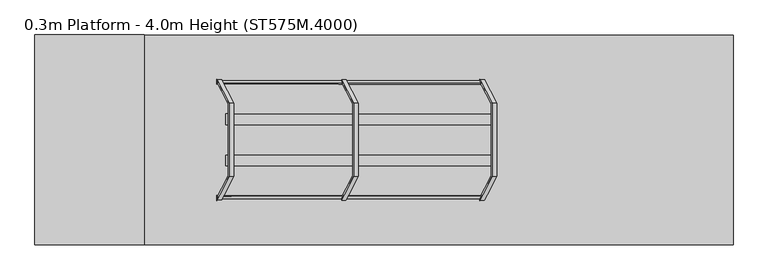
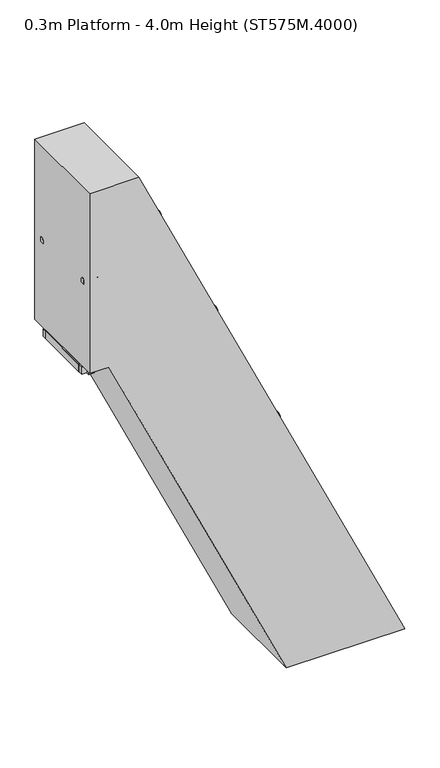
"""IFC4 building model written with IfcOpenShell, lengths in millimetres: proxy geometry, 0.3m Platform - 4.0m Height (ST575M.4000)."""

from ifc_helpers import new_model, si_unit, point, frame, frame_2d, origin, origin_with_axes, place, context, project, spatial, polyline, circle_curve, ellipse_curve, trimmed, segment, composite_curve, outline, extrude, source, transform, mapped, element, save
from ifc_brep_helpers import plane_surface, cylinder_surface, advanced_brep


def proxy_0_3m_platform_4_0m_height_st575m_4000_9bf559f9(model_context):
    return source(origin(), model_context, "Body", "SolidModel", [
        extrude(outline(polyline([(3750.0, 12.5742604), (3670.0, 49.878868), (3670.0, 160.216665), (3750.0, 122.9120524), (3750.0, 12.5742604)])), frame((0.0, 298.5, 0.0), z_axis=(0.0, 1.0, 0.0), x_axis=(0.0, 0.0, 1.0)), (0.0, 0.0, 1.0), 6.0),
        extrude(outline(polyline([(3750.0, 12.5742604), (3670.0, 49.878868), (3670.0, 160.216665), (3750.0, 122.9120524), (3750.0, 12.5742604)])), frame((0.0, -304.5, 0.0), z_axis=(0.0, 1.0, 0.0), x_axis=(0.0, 0.0, 1.0)), (0.0, 0.0, 1.0), 6.0),
        extrude(outline(polyline([(3750.0, 19.7462167), (3712.0999991, 37.4192749), (3712.0999991, 39.6260307), (3747.0, 23.3518952), (3747.0, 122.1042195), (3712.0999991, 138.3783572), (3712.0999991, 140.585113), (3750.0, 122.9120524), (3750.0, 102.4843112), (3749.2749538, 102.1462167), (3750.0, 101.8081221), (3750.0, 81.8843112), (3749.2749538, 81.5462167), (3750.0, 81.2081221), (3750.0, 61.2843112), (3749.2749538, 60.9462167), (3750.0, 60.6081221), (3750.0, 40.6843112), (3749.2749538, 40.3462167), (3750.0, 40.0081221), (3750.0, 19.7462167)])), frame((0.0, -298.5, 0.0), z_axis=(0.0, 1.0, 0.0), x_axis=(0.0, 0.0, 1.0)), (0.0, 0.0, 1.0), 597.0),
        extrude(outline(polyline([(3500.0, 129.1533089), (3420.0, 166.4579165), (3420.0, 276.7957136), (3500.0, 239.4911009), (3500.0, 129.1533089)])), frame((0.0, 298.5, 0.0), z_axis=(0.0, 1.0, 0.0), x_axis=(0.0, 0.0, 1.0)), (0.0, 0.0, 1.0), 6.0),
        extrude(outline(polyline([(3500.0, 129.1533089), (3420.0, 166.4579165), (3420.0, 276.7957136), (3500.0, 239.4911009), (3500.0, 129.1533089)])), frame((0.0, -304.5, 0.0), z_axis=(0.0, 1.0, 0.0), x_axis=(0.0, 0.0, 1.0)), (0.0, 0.0, 1.0), 6.0),
        extrude(outline(polyline([(3500.0, 136.3252652), (3462.0999991, 153.9983235), (3462.0999991, 156.2050793), (3497.0, 139.9309438), (3497.0, 238.6832681), (3462.0999991, 254.9574057), (3462.0999991, 257.1641616), (3500.0, 239.4911009), (3500.0, 219.0633598), (3499.2749538, 218.7252652), (3500.0, 218.3871707), (3500.0, 198.4633598), (3499.2749538, 198.1252652), (3500.0, 197.7871707), (3500.0, 177.8633598), (3499.2749538, 177.5252652), (3500.0, 177.1871707), (3500.0, 157.2633598), (3499.2749538, 156.9252652), (3500.0, 156.5871707), (3500.0, 136.3252652)])), frame((0.0, -298.5, 0.0), z_axis=(0.0, 1.0, 0.0), x_axis=(0.0, 0.0, 1.0)), (0.0, 0.0, 1.0), 597.0),
        extrude(outline(polyline([(3250.0, 245.7323575), (3170.0, 283.0369651), (3170.0, 393.3747622), (3250.0, 356.0701495), (3250.0, 245.7323575)])), frame((0.0, 298.5, 0.0), z_axis=(0.0, 1.0, 0.0), x_axis=(0.0, 0.0, 1.0)), (0.0, 0.0, 1.0), 6.0),
        extrude(outline(polyline([(3250.0, 245.7323575), (3170.0, 283.0369651), (3170.0, 393.3747622), (3250.0, 356.0701495), (3250.0, 245.7323575)])), frame((0.0, -304.5, 0.0), z_axis=(0.0, 1.0, 0.0), x_axis=(0.0, 0.0, 1.0)), (0.0, 0.0, 1.0), 6.0),
        extrude(outline(polyline([(3250.0, 252.9043138), (3212.0999991, 270.577372), (3212.0999991, 272.7841278), (3247.0, 256.5099923), (3247.0, 355.2623166), (3212.0999991, 371.5364543), (3212.0999991, 373.7432101), (3250.0, 356.0701495), (3250.0, 335.6424083), (3249.2749538, 335.3043138), (3250.0, 334.9662192), (3250.0, 315.0424083), (3249.2749538, 314.7043138), (3250.0, 314.3662192), (3250.0, 294.4424083), (3249.2749538, 294.1043138), (3250.0, 293.7662192), (3250.0, 273.8424083), (3249.2749538, 273.5043138), (3250.0, 273.1662192), (3250.0, 252.9043138)])), frame((0.0, -298.5, 0.0), z_axis=(0.0, 1.0, 0.0), x_axis=(0.0, 0.0, 1.0)), (0.0, 0.0, 1.0), 597.0),
        extrude(outline(polyline([(3000.0, 362.311406), (2920.0, 399.6160136), (2920.0, 509.9538107), (3000.0, 472.6491981), (3000.0, 362.311406)])), frame((0.0, 298.5, 0.0), z_axis=(0.0, 1.0, 0.0), x_axis=(0.0, 0.0, 1.0)), (0.0, 0.0, 1.0), 6.0),
        extrude(outline(polyline([(3000.0, 362.311406), (2920.0, 399.6160136), (2920.0, 509.9538107), (3000.0, 472.6491981), (3000.0, 362.311406)])), frame((0.0, -304.5, 0.0), z_axis=(0.0, 1.0, 0.0), x_axis=(0.0, 0.0, 1.0)), (0.0, 0.0, 1.0), 6.0),
        extrude(outline(polyline([(3000.0, 369.4833623), (2962.0999991, 387.1564206), (2962.0999991, 389.3631764), (2997.0, 373.0890409), (2997.0, 471.8413652), (2962.0999991, 488.1155029), (2962.0999991, 490.3222587), (3000.0, 472.6491981), (3000.0, 452.2214569), (2999.2749538, 451.8833623), (3000.0, 451.5452678), (3000.0, 431.6214569), (2999.2749538, 431.2833623), (3000.0, 430.9452678), (3000.0, 411.0214569), (2999.2749538, 410.6833623), (3000.0, 410.3452678), (3000.0, 390.4214569), (2999.2749538, 390.0833623), (3000.0, 389.7452678), (3000.0, 369.4833623)])), frame((0.0, -298.5, 0.0), z_axis=(0.0, 1.0, 0.0), x_axis=(0.0, 0.0, 1.0)), (0.0, 0.0, 1.0), 597.0),
        extrude(outline(polyline([(2750.0, 478.8904546), (2670.0, 516.1950622), (2670.0, 626.5328593), (2750.0, 589.2282466), (2750.0, 478.8904546)])), frame((0.0, 298.5, 0.0), z_axis=(0.0, 1.0, 0.0), x_axis=(0.0, 0.0, 1.0)), (0.0, 0.0, 1.0), 6.0),
        extrude(outline(polyline([(2750.0, 478.8904546), (2670.0, 516.1950622), (2670.0, 626.5328593), (2750.0, 589.2282466), (2750.0, 478.8904546)])), frame((0.0, -304.5, 0.0), z_axis=(0.0, 1.0, 0.0), x_axis=(0.0, 0.0, 1.0)), (0.0, 0.0, 1.0), 6.0),
        extrude(outline(polyline([(2750.0, 486.0624109), (2712.0999991, 503.7354691), (2712.0999991, 505.9422249), (2747.0, 489.6680895), (2747.0, 588.4204137), (2712.0999991, 604.6945514), (2712.0999991, 606.9013072), (2750.0, 589.2282466), (2750.0, 568.8005055), (2749.2749538, 568.4624109), (2750.0, 568.1243163), (2750.0, 548.2005055), (2749.2749538, 547.8624109), (2750.0, 547.5243163), (2750.0, 527.6005055), (2749.2749538, 527.2624109), (2750.0, 526.9243163), (2750.0, 507.0005055), (2749.2749538, 506.6624109), (2750.0, 506.3243163), (2750.0, 486.0624109)])), frame((0.0, -298.5, 0.0), z_axis=(0.0, 1.0, 0.0), x_axis=(0.0, 0.0, 1.0)), (0.0, 0.0, 1.0), 597.0),
        extrude(outline(polyline([(2500.0, 595.4695031), (2420.0, 632.7741107), (2420.0, 743.1119078), (2500.0, 705.8072952), (2500.0, 595.4695031)])), frame((0.0, 298.5, 0.0), z_axis=(0.0, 1.0, 0.0), x_axis=(0.0, 0.0, 1.0)), (0.0, 0.0, 1.0), 6.0),
        extrude(outline(polyline([(2500.0, 595.4695031), (2420.0, 632.7741107), (2420.0, 743.1119078), (2500.0, 705.8072952), (2500.0, 595.4695031)])), frame((0.0, -304.5, 0.0), z_axis=(0.0, 1.0, 0.0), x_axis=(0.0, 0.0, 1.0)), (0.0, 0.0, 1.0), 6.0),
        extrude(outline(polyline([(2500.0, 602.6414594), (2462.0999991, 620.3145177), (2462.0999991, 622.5212735), (2497.0, 606.247138), (2497.0, 704.9994623), (2462.0999991, 721.2736), (2462.0999991, 723.4803558), (2500.0, 705.8072952), (2500.0, 685.379554), (2499.2749538, 685.0414594), (2500.0, 684.7033649), (2500.0, 664.779554), (2499.2749538, 664.4414594), (2500.0, 664.1033649), (2500.0, 644.179554), (2499.2749538, 643.8414594), (2500.0, 643.5033649), (2500.0, 623.579554), (2499.2749538, 623.2414594), (2500.0, 622.9033649), (2500.0, 602.6414594)])), frame((0.0, -298.5, 0.0), z_axis=(0.0, 1.0, 0.0), x_axis=(0.0, 0.0, 1.0)), (0.0, 0.0, 1.0), 597.0),
        extrude(outline(polyline([(2250.0, 712.0485517), (2170.0, 749.3531593), (2170.0, 859.6909564), (2250.0, 822.3863437), (2250.0, 712.0485517)])), frame((0.0, 298.5, 0.0), z_axis=(0.0, 1.0, 0.0), x_axis=(0.0, 0.0, 1.0)), (0.0, 0.0, 1.0), 6.0),
        extrude(outline(polyline([(2250.0, 712.0485517), (2170.0, 749.3531593), (2170.0, 859.6909564), (2250.0, 822.3863437), (2250.0, 712.0485517)])), frame((0.0, -304.5, 0.0), z_axis=(0.0, 1.0, 0.0), x_axis=(0.0, 0.0, 1.0)), (0.0, 0.0, 1.0), 6.0),
        extrude(outline(polyline([(2250.0, 719.220508), (2212.0999991, 736.8935662), (2212.0999991, 739.100322), (2247.0, 722.8261866), (2247.0, 821.5785109), (2212.0999991, 837.8526485), (2212.0999991, 840.0594044), (2250.0, 822.3863437), (2250.0, 801.9586026), (2249.2749538, 801.620508), (2250.0, 801.2824134), (2250.0, 781.3586026), (2249.2749538, 781.020508), (2250.0, 780.6824134), (2250.0, 760.7586026), (2249.2749538, 760.420508), (2250.0, 760.0824134), (2250.0, 740.1586026), (2249.2749538, 739.820508), (2250.0, 739.4824134), (2250.0, 719.220508)])), frame((0.0, -298.5, 0.0), z_axis=(0.0, 1.0, 0.0), x_axis=(0.0, 0.0, 1.0)), (0.0, 0.0, 1.0), 597.0),
        extrude(outline(polyline([(2000.0, 828.6276002), (1920.0, 865.9322078), (1920.0, 976.2700049), (2000.0, 938.9653923), (2000.0, 828.6276002)])), frame((0.0, 298.5, 0.0), z_axis=(0.0, 1.0, 0.0), x_axis=(0.0, 0.0, 1.0)), (0.0, 0.0, 1.0), 6.0),
        extrude(outline(polyline([(2000.0, 828.6276002), (1920.0, 865.9322078), (1920.0, 976.2700049), (2000.0, 938.9653923), (2000.0, 828.6276002)])), frame((0.0, -304.5, 0.0), z_axis=(0.0, 1.0, 0.0), x_axis=(0.0, 0.0, 1.0)), (0.0, 0.0, 1.0), 6.0),
        extrude(outline(polyline([(2000.0, 835.7995565), (1962.0999991, 853.4726148), (1962.0999991, 855.6793706), (1997.0, 839.4052351), (1997.0, 938.1575594), (1962.0999991, 954.4316971), (1962.0999991, 956.6384529), (2000.0, 938.9653923), (2000.0, 918.5376511), (1999.2749538, 918.1995565), (2000.0, 917.861462), (2000.0, 897.9376511), (1999.2749538, 897.5995565), (2000.0, 897.261462), (2000.0, 877.3376511), (1999.2749538, 876.9995565), (2000.0, 876.661462), (2000.0, 856.7376511), (1999.2749538, 856.3995565), (2000.0, 856.061462), (2000.0, 835.7995565)])), frame((0.0, -298.5, 0.0), z_axis=(0.0, 1.0, 0.0), x_axis=(0.0, 0.0, 1.0)), (0.0, 0.0, 1.0), 597.0),
        extrude(outline(polyline([(1750.0, 945.2066488), (1670.0, 982.5112564), (1670.0, 1092.8490535), (1750.0, 1055.5444408), (1750.0, 945.2066488)])), frame((0.0, 298.5, 0.0), z_axis=(0.0, 1.0, 0.0), x_axis=(0.0, 0.0, 1.0)), (0.0, 0.0, 1.0), 6.0),
        extrude(outline(polyline([(1750.0, 945.2066488), (1670.0, 982.5112564), (1670.0, 1092.8490535), (1750.0, 1055.5444408), (1750.0, 945.2066488)])), frame((0.0, -304.5, 0.0), z_axis=(0.0, 1.0, 0.0), x_axis=(0.0, 0.0, 1.0)), (0.0, 0.0, 1.0), 6.0),
        extrude(outline(polyline([(1750.0, 952.3786051), (1712.0999991, 970.0516633), (1712.0999991, 972.2584191), (1747.0, 955.9842837), (1747.0, 1054.736608), (1712.0999991, 1071.0107456), (1712.0999991, 1073.2175015), (1750.0, 1055.5444408), (1750.0, 1035.1166997), (1749.2749538, 1034.7786051), (1750.0, 1034.4405105), (1750.0, 1014.5166997), (1749.2749538, 1014.1786051), (1750.0, 1013.8405105), (1750.0, 993.9166997), (1749.2749538, 993.5786051), (1750.0, 993.2405105), (1750.0, 973.3166997), (1749.2749538, 972.9786051), (1750.0, 972.6405105), (1750.0, 952.3786051)])), frame((0.0, -298.5, 0.0), z_axis=(0.0, 1.0, 0.0), x_axis=(0.0, 0.0, 1.0)), (0.0, 0.0, 1.0), 597.0),
        extrude(outline(polyline([(1500.0, 1061.7856974), (1420.0, 1099.090305), (1420.0, 1209.428102), (1500.0, 1172.1234894), (1500.0, 1061.7856974)])), frame((0.0, 298.5, 0.0), z_axis=(0.0, 1.0, 0.0), x_axis=(0.0, 0.0, 1.0)), (0.0, 0.0, 1.0), 6.0),
        extrude(outline(polyline([(1500.0, 1061.7856974), (1420.0, 1099.090305), (1420.0, 1209.428102), (1500.0, 1172.1234894), (1500.0, 1061.7856974)])), frame((0.0, -304.5, 0.0), z_axis=(0.0, 1.0, 0.0), x_axis=(0.0, 0.0, 1.0)), (0.0, 0.0, 1.0), 6.0),
        extrude(outline(polyline([(1500.0, 1068.9576537), (1462.0999991, 1086.6307119), (1462.0999991, 1088.8374677), (1497.0, 1072.5633322), (1497.0, 1171.3156565), (1462.0999991, 1187.5897942), (1462.0999991, 1189.79655), (1500.0, 1172.1234894), (1500.0, 1151.6957482), (1499.2749538, 1151.3576537), (1500.0, 1151.0195591), (1500.0, 1131.0957482), (1499.2749538, 1130.7576537), (1500.0, 1130.4195591), (1500.0, 1110.4957482), (1499.2749538, 1110.1576537), (1500.0, 1109.8195591), (1500.0, 1089.8957482), (1499.2749538, 1089.5576537), (1500.0, 1089.2195591), (1500.0, 1068.9576537)])), frame((0.0, -298.5, 0.0), z_axis=(0.0, 1.0, 0.0), x_axis=(0.0, 0.0, 1.0)), (0.0, 0.0, 1.0), 597.0),
        extrude(outline(polyline([(1250.0, 1178.3647459), (1170.0, 1215.6693535), (1170.0, 1326.0071506), (1250.0, 1288.7025379), (1250.0, 1178.3647459)])), frame((0.0, 298.5, 0.0), z_axis=(0.0, 1.0, 0.0), x_axis=(0.0, 0.0, 1.0)), (0.0, 0.0, 1.0), 6.0),
        extrude(outline(polyline([(1250.0, 1178.3647459), (1170.0, 1215.6693535), (1170.0, 1326.0071506), (1250.0, 1288.7025379), (1250.0, 1178.3647459)])), frame((0.0, -304.5, 0.0), z_axis=(0.0, 1.0, 0.0), x_axis=(0.0, 0.0, 1.0)), (0.0, 0.0, 1.0), 6.0),
        extrude(outline(polyline([(1250.0, 1185.5367022), (1212.0999991, 1203.2097605), (1212.0999991, 1205.4165162), (1247.0, 1189.1423808), (1247.0, 1287.8947051), (1212.0999991, 1304.1688427), (1212.0999991, 1306.3755986), (1250.0, 1288.7025379), (1250.0, 1268.2747968), (1249.2749538, 1267.9367022), (1250.0, 1267.5986076), (1250.0, 1247.6747968), (1249.2749538, 1247.3367022), (1250.0, 1246.9986076), (1250.0, 1227.0747968), (1249.2749538, 1226.7367022), (1250.0, 1226.3986076), (1250.0, 1206.4747968), (1249.2749538, 1206.1367022), (1250.0, 1205.7986076), (1250.0, 1185.5367022)])), frame((0.0, -298.5, 0.0), z_axis=(0.0, 1.0, 0.0), x_axis=(0.0, 0.0, 1.0)), (0.0, 0.0, 1.0), 597.0),
        extrude(outline(polyline([(1000.0, 1294.9437945), (920.0, 1332.2484021), (920.0, 1442.5861991), (1000.0, 1405.2815865), (1000.0, 1294.9437945)])), frame((0.0, 298.5, 0.0), z_axis=(0.0, 1.0, 0.0), x_axis=(0.0, 0.0, 1.0)), (0.0, 0.0, 1.0), 6.0),
        extrude(outline(polyline([(1000.0, 1294.9437945), (920.0, 1332.2484021), (920.0, 1442.5861991), (1000.0, 1405.2815865), (1000.0, 1294.9437945)])), frame((0.0, -304.5, 0.0), z_axis=(0.0, 1.0, 0.0), x_axis=(0.0, 0.0, 1.0)), (0.0, 0.0, 1.0), 6.0),
        extrude(outline(polyline([(1000.0, 1302.1157508), (962.0999991, 1319.788809), (962.0999991, 1321.9955648), (997.0, 1305.7214293), (997.0, 1404.4737536), (962.0999991, 1420.7478913), (962.0999991, 1422.9546471), (1000.0, 1405.2815865), (1000.0, 1384.8538453), (999.2749538, 1384.5157508), (1000.0, 1384.1776562), (1000.0, 1364.2538453), (999.2749538, 1363.9157508), (1000.0, 1363.5776562), (1000.0, 1343.6538453), (999.2749538, 1343.3157508), (1000.0, 1342.9776562), (1000.0, 1323.0538453), (999.2749538, 1322.7157508), (1000.0, 1322.3776562), (1000.0, 1302.1157508)])), frame((0.0, -298.5, 0.0), z_axis=(0.0, 1.0, 0.0), x_axis=(0.0, 0.0, 1.0)), (0.0, 0.0, 1.0), 597.0),
        extrude(outline(polyline([(750.0, 1411.522843), (670.0, 1448.8274506), (670.0, 1559.1652477), (750.0, 1521.860635), (750.0, 1411.522843)])), frame((0.0, 298.5, 0.0), z_axis=(0.0, 1.0, 0.0), x_axis=(0.0, 0.0, 1.0)), (0.0, 0.0, 1.0), 6.0),
        extrude(outline(polyline([(750.0, 1411.522843), (670.0, 1448.8274506), (670.0, 1559.1652477), (750.0, 1521.860635), (750.0, 1411.522843)])), frame((0.0, -304.5, 0.0), z_axis=(0.0, 1.0, 0.0), x_axis=(0.0, 0.0, 1.0)), (0.0, 0.0, 1.0), 6.0),
        extrude(outline(polyline([(750.0, 1418.6947993), (712.0999991, 1436.3678576), (712.0999991, 1438.5746133), (747.0, 1422.3004779), (747.0, 1521.0528022), (712.0999991, 1537.3269398), (712.0999991, 1539.5336957), (750.0, 1521.860635), (750.0, 1501.4328939), (749.2749538, 1501.0947993), (750.0, 1500.7567047), (750.0, 1480.8328939), (749.2749538, 1480.4947993), (750.0, 1480.1567047), (750.0, 1460.2328939), (749.2749538, 1459.8947993), (750.0, 1459.5567047), (750.0, 1439.6328939), (749.2749538, 1439.2947993), (750.0, 1438.9567047), (750.0, 1418.6947993)])), frame((0.0, -298.5, 0.0), z_axis=(0.0, 1.0, 0.0), x_axis=(0.0, 0.0, 1.0)), (0.0, 0.0, 1.0), 597.0),
        extrude(outline(polyline([(500.0, 1528.1018916), (420.0, 1565.4064992), (420.0, 1675.7442962), (500.0, 1638.4396836), (500.0, 1528.1018916)])), frame((0.0, 298.5, 0.0), z_axis=(0.0, 1.0, 0.0), x_axis=(0.0, 0.0, 1.0)), (0.0, 0.0, 1.0), 6.0),
        extrude(outline(polyline([(500.0, 1528.1018916), (420.0, 1565.4064992), (420.0, 1675.7442962), (500.0, 1638.4396836), (500.0, 1528.1018916)])), frame((0.0, -304.5, 0.0), z_axis=(0.0, 1.0, 0.0), x_axis=(0.0, 0.0, 1.0)), (0.0, 0.0, 1.0), 6.0),
        extrude(outline(polyline([(500.0, 1535.2738479), (462.0999991, 1552.9469061), (462.0999991, 1555.1536619), (497.0, 1538.8795264), (497.0, 1637.6318507), (462.0999991, 1653.9059884), (462.0999991, 1656.1127442), (500.0, 1638.4396836), (500.0, 1618.0119424), (499.2749538, 1617.6738479), (500.0, 1617.3357533), (500.0, 1597.4119424), (499.2749538, 1597.0738479), (500.0, 1596.7357533), (500.0, 1576.8119424), (499.2749538, 1576.4738479), (500.0, 1576.1357533), (500.0, 1556.2119424), (499.2749538, 1555.8738479), (500.0, 1555.5357533), (500.0, 1535.2738479)])), frame((0.0, -298.5, 0.0), z_axis=(0.0, 1.0, 0.0), x_axis=(0.0, 0.0, 1.0)), (0.0, 0.0, 1.0), 597.0),
        extrude(outline(polyline([(0.0, -6.0), (0.0, 0.0), (50.0, 0.0), (50.0, -6.0), (0.0, -6.0)])), frame((835.2019478, 296.0, 1938.5825879), z_axis=(-6.583104964374975e-06, 0.0, 0.9999999999783316), x_axis=(0.0, -1.0, 0.0)), (0.0, 0.0, 1.0), 120.0),
        extrude(outline(polyline([(2000.5832794, 940.2473839), (2058.5831013, 913.2011579), (2058.5825879, 835.2011579), (2000.5825879, 835.2015397), (2000.5832794, 940.2473839)])), frame((0.0, 252.0, 0.0), z_axis=(0.0, 1.0, 0.0), x_axis=(0.0, 0.0, 1.0)), (0.0, 0.0, 1.0), 38.0),
        extrude(outline(polyline([(0.0, -6.0), (0.0, 0.0), (50.0, 0.0), (50.0, -6.0), (0.0, -6.0)])), frame((829.2019478, -296.0, 1938.5825484), z_axis=(-6.583104961932484e-06, 0.0, 0.9999999999783314), x_axis=(0.0, 1.0, 0.0)), (0.0, 0.0, 1.0), 120.0),
        extrude(outline(polyline([(2000.5832794, 940.2473839), (2058.5831013, 913.2011579), (2058.5825879, 835.2011579), (2000.5825879, 835.2015397), (2000.5832794, 940.2473839)])), frame((0.0, -290.0, 0.0), z_axis=(0.0, 1.0, 0.0), x_axis=(0.0, 0.0, 1.0)), (0.0, 0.0, 1.0), 38.0),
        extrude(outline(polyline([(0.0, -590.0), (0.0, 0.0), (2.0, 0.0), (2.0, -590.0), (0.0, -590.0)])), frame((1894.0185078, -295.0, 49.8963846), z_axis=(-0.42262422805082667, 0.0, 0.906305004876638), x_axis=(-0.906305004876638, 0.0, -0.42262422805082667)), (0.0, 0.0, 1.0), 2240.0),
        extrude(outline(polyline([(2250.0, 0.0), (2250.0, -600.0), (0.0, -600.0), (0.0, 0.0), (2250.0, 0.0)]), holes=[polyline([(1096.0, -58.0), (58.0, -58.0), (58.0, -542.0), (1096.0, -542.0), (1096.0, -58.0)]), polyline([(1154.0, -542.0), (2192.0, -542.0), (2192.0, -58.0), (1154.0, -58.0), (1154.0, -542.0)])]), frame((908.9749156, 300.0, 2067.6461514), z_axis=(0.906305004876638, 0.0, 0.42262422805082667), x_axis=(0.42262422805082667, 0.0, -0.906305004876638)), (0.0, 0.0, 1.0), 38.0),
        extrude(outline(polyline([(0.0, 0.0), (80.0, 0.0), (80.0, -6.0), (6.0, -6.0), (6.0, -50.0), (0.0, -50.0), (0.0, 0.0)])), frame((1792.2595522, 343.0, 173.4686912), z_axis=(-0.42262422805082667, 0.0, 0.906305004876638), x_axis=(-0.906305004876638, 0.0, -0.42262422805082667)), (0.0, 0.0, 1.0), 50.0),
        extrude(outline(polyline([(0.0, 686.0), (0.0, 736.0), (6.0, 736.0), (6.0, 692.0), (80.0, 692.0), (80.0, 686.0), (0.0, 686.0)])), frame((1792.2595522, 343.0, 173.4686912), z_axis=(-0.42262422805082667, 0.0, 0.906305004876638), x_axis=(-0.906305004876638, 0.0, -0.42262422805082667)), (0.0, 0.0, 1.0), 50.0),
        extrude(outline(polyline([(-100.0, 0.0), (0.0, 0.0), (0.0, -50.0), (-6.0, -50.0), (-6.0, -6.0000001), (-100.0, -6.0000001), (-100.0, 0.0)])), frame((1792.2595522, -300.0, 173.4686912), z_axis=(-0.42262422805082667, 0.0, 0.906305004876638), x_axis=(0.0, 1.0, 0.0)), (0.0, 0.0, 1.0), 50.0),
        extrude(outline(polyline([(700.0, 0.0), (700.0, -6.0000001), (606.0, -6.0000001), (606.0, -50.0), (600.0, -50.0), (600.0, 0.0), (700.0, 0.0)])), frame((1792.2595522, -300.0, 173.4686912), z_axis=(-0.42262422805082667, 0.0, 0.906305004876638), x_axis=(0.0, 1.0, 0.0)), (0.0, 0.0, 1.0), 50.0),
        extrude(outline(polyline([(1117.9768328, 1395.955855), (1132.3718132, 1442.2055527), (1038.1160927, 1486.1584724), (1011.9391472, 1445.4028897), (989.2815221, 1455.9684954), (993.5077644, 1465.0315454), (1008.0086445, 1458.2695578), (1034.18559, 1499.0251405), (1144.7548006, 1447.4649847), (1130.3598201, 1401.215287), (1144.8607002, 1394.4532994), (1140.6344579, 1385.3902493), (1117.9768328, 1395.955855)])), frame((0.0, 201.0, 0.0), z_axis=(0.0, 1.0, 0.0), x_axis=(0.0, 0.0, 1.0)), (0.0, 0.0, 1.0), 44.0),
        extrude(outline(polyline([(1117.9768328, 1395.955855), (1132.3718132, 1442.2055527), (1038.1160927, 1486.1584724), (1011.9391472, 1445.4028897), (989.2815221, 1455.9684954), (993.5077644, 1465.0315454), (1008.0086445, 1458.2695578), (1034.18559, 1499.0251405), (1144.7548006, 1447.4649847), (1130.3598201, 1401.215287), (1144.8607002, 1394.4532994), (1140.6344579, 1385.3902493), (1117.9768328, 1395.955855)])), frame((0.0, -245.0, 0.0), z_axis=(0.0, 1.0, 0.0), x_axis=(0.0, 0.0, 1.0)), (0.0, 0.0, 1.0), 44.0),
        extrude(outline(polyline([(-573.915974, 0.0), (0.0, 0.0), (168.0, -100.0), (268.0, -275.0), (268.0, -621.0), (168.0, -796.0), (0.0, -896.0), (-573.915974, -896.0), (-626.9765801, -845.0), (-710.8030303, -845.0), (-710.8030303, -839.0), (-624.560606, -839.0), (-571.5, -890.0), (-1.5933867, -890.0), (163.6024049, -791.6024049), (262.0, -619.4066134), (262.0, -276.5933866), (163.6024049, -104.3975951), (-1.5933867, -6.0), (-571.5, -6.0), (-624.560606, -57.0), (-710.8030303, -57.0), (-710.8030303, -51.0), (-626.9765801, -51.0), (-573.915974, 0.0)])), frame((304.120262, 448.0, 5128.9323502), z_axis=(-0.42262422805082667, 0.0, 0.906305004876638), x_axis=(0.906305004876638, 0.0, 0.42262422805082667)), (0.0, 0.0, 1.0), 50.0),
        extrude(outline(polyline([(-6.0, 0.0), (0.0, 0.0), (0.0, -77.5840259), (99.0, -180.5840259), (99.0, -827.0), (-1.0, -994.9999999), (-176.0, -1095.0), (-522.0, -1095.0), (-697.0, -994.9999999), (-797.0, -827.0), (-797.0, -180.5840259), (-698.0, -77.5840259), (-698.0, 0.0), (-692.0, 0.0), (-692.0, -80.0), (-791.0, -183.0), (-791.0, -825.4066133), (-692.6024049, -990.6024049), (-520.4066134, -1089.0), (-177.5933866, -1089.0), (-5.3975951, -990.6024049), (93.0, -825.4066133), (93.0, -183.0), (-6.0, -80.0), (-6.0, 0.0)])), frame((804.0599175, 349.0, 2100.005642), z_axis=(-0.42262422805082667, 0.0, 0.906305004876638), x_axis=(0.0, 1.0, 0.0)), (0.0, 0.0, 1.0), 50.0),
        extrude(outline(polyline([(0.0, 0.0), (50.0, 0.0), (50.0, -12.0), (0.0, -12.0), (0.0, 0.0)])), frame((1220.0539147, 430.0, 2293.9901627), z_axis=(-0.42262422805082667, 0.0, 0.906305004876638), x_axis=(-0.906305004876638, 0.0, -0.42262422805082667)), (0.0, 0.0, 1.0), 3006.418046),
        extrude(outline(polyline([(-210.0, 0.0), (-160.0, 0.0), (-160.0, -12.0), (-210.0, -12.0), (-210.0, 0.0)])), frame((1220.0539147, 430.0, 2293.9901627), z_axis=(-0.42262422805082667, 0.0, 0.906305004876638), x_axis=(-0.906305004876638, 0.0, -0.42262422805082667)), (0.0, 0.0, 1.0), 3006.418046),
        extrude(outline(polyline([(-630.0, 357.5), (-618.0, 357.5), (-618.0, 307.5), (-630.0, 307.5), (-630.0, 357.5)])), frame((1220.0539147, 430.0, 2293.9901627), z_axis=(-0.42262422805082667, 0.0, 0.906305004876638), x_axis=(-0.906305004876638, 0.0, -0.42262422805082667)), (0.0, 0.0, 1.0), 3006.418046),
        extrude(outline(polyline([(-630.0, 552.5), (-618.0, 552.5), (-618.0, 502.5), (-630.0, 502.5), (-630.0, 552.5)])), frame((1220.0539147, 430.0, 2293.9901627), z_axis=(-0.42262422805082667, 0.0, 0.906305004876638), x_axis=(-0.906305004876638, 0.0, -0.42262422805082667)), (0.0, 0.0, 1.0), 3006.418046),
        extrude(outline(polyline([(-210.0, 872.0), (-160.0, 872.0), (-160.0, 860.0), (-210.0, 860.0), (-210.0, 872.0)])), frame((1220.0539147, 430.0, 2293.9901627), z_axis=(-0.42262422805082667, 0.0, 0.906305004876638), x_axis=(-0.906305004876638, 0.0, -0.42262422805082667)), (0.0, 0.0, 1.0), 3006.418046),
        extrude(outline(polyline([(0.0, 872.0), (50.0, 872.0), (50.0, 860.0), (0.0, 860.0), (0.0, 872.0)])), frame((1220.0539147, 430.0, 2293.9901627), z_axis=(-0.42262422805082667, 0.0, 0.906305004876638), x_axis=(-0.906305004876638, 0.0, -0.42262422805082667)), (0.0, 0.0, 1.0), 3006.418046),
        extrude(outline(polyline([(-416.1782521, 29.5287957), (-373.2212406, 3.9417841), (-379.3621234, -6.3678986), (-422.3191349, 19.2191129), (-416.1782521, 29.5287957)])), frame((1220.0539147, 430.0, 2293.9901627), z_axis=(-0.42262422805082667, 0.0, 0.906305004876638), x_axis=(-0.906305004876638, 0.0, -0.42262422805082667)), (0.0, 0.0, 1.0), 3006.418046),
        extrude(outline(polyline([(-578.1954412, 161.8104088), (-567.7765236, 167.7640761), (-542.9695766, 124.351919), (-553.3884944, 118.3982517), (-578.1954412, 161.8104088)])), frame((1220.0539147, 430.0, 2293.9901627), z_axis=(-0.42262422805082667, 0.0, 0.906305004876638), x_axis=(-0.906305004876638, 0.0, -0.42262422805082667)), (0.0, 0.0, 1.0), 3006.418046),
        extrude(outline(polyline([(-416.1782521, 830.4712043), (-422.3191349, 840.7808871), (-379.3621234, 866.3678986), (-373.2212406, 856.0582159), (-416.1782521, 830.4712043)])), frame((1220.0539147, 430.0, 2293.9901627), z_axis=(-0.42262422805082667, 0.0, 0.906305004876638), x_axis=(-0.906305004876638, 0.0, -0.42262422805082667)), (0.0, 0.0, 1.0), 3006.418046),
        extrude(outline(polyline([(-578.1954412, 698.1895912), (-553.3884944, 741.6017483), (-542.9695766, 735.648081), (-567.7765236, 692.2359239), (-578.1954412, 698.1895912)])), frame((1220.0539147, 430.0, 2293.9901627), z_axis=(-0.42262422805082667, 0.0, 0.906305004876638), x_axis=(-0.906305004876638, 0.0, -0.42262422805082667)), (0.0, 0.0, 1.0), 3006.418046),
        extrude(outline(polyline([(-6.0, 0.0), (0.0, 0.0), (0.0, -77.5840259), (99.0, -180.5840259), (99.0, -827.0), (-1.0, -994.9999999), (-176.0, -1095.0), (-522.0, -1095.0), (-697.0, -994.9999999), (-797.0, -827.0), (-797.0, -180.5840259), (-698.0, -77.5840259), (-698.0, 0.0), (-692.0, 0.0), (-692.0, -79.9999999), (-791.0, -182.9999999), (-791.0, -825.4066133), (-692.6024049, -990.6024048), (-520.4066134, -1089.0), (-177.5933866, -1089.0), (-5.3975951, -990.6024048), (93.0, -825.4066133), (93.0, -182.9999999), (-6.0, -79.9999999), (-6.0, 0.0)])), frame((146.2799423, 349.0, 3510.5951068), z_axis=(-0.42262422805082667, 0.0, 0.906305004876638), x_axis=(0.0, 1.0, 0.0)), (0.0, 0.0, 1.0), 50.0),
        extrude(outline(polyline([(-0.0541093, 0.0), (0.7582532, 5.9447512), (185.4590013, 5.9447512), (254.8144324, -3.5328109), (254.0020699, -9.4775622), (184.6466388, 0.0), (-0.0541093, 0.0)])), frame((1562.6710983, 375.0, 1079.9819605), z_axis=(-0.42262422805082667, 0.0, 0.906305004876638), x_axis=(-0.8979596324289302, -0.13539374535780632, -0.41873265008366184)), (0.0, 0.0, 1.0), 80.0),
        extrude(outline(polyline([(-0.0541093, 0.0), (0.7582532, 5.9447512), (185.4590013, 5.9447512), (254.8144324, -3.5328109), (254.0020699, -9.4775622), (184.6466388, 0.0), (-0.0541093, 0.0)])), frame((915.7436285, 375.0, 2467.2985523), z_axis=(-0.42262422805082667, 0.0, 0.906305004876638), x_axis=(-0.8979596324289302, -0.13539374535780632, -0.41873265008366184)), (0.0, 0.0, 1.0), 80.0),
        extrude(outline(polyline([(-0.0541092, 0.0), (0.7582532, 5.9447512), (185.4590013, 5.9447512), (254.8144324, -3.5328109), (254.0020699, -9.4775622), (184.6466388, 0.0), (-0.0541092, 0.0)])), frame((268.8161587, 375.0, 3854.6151441), z_axis=(-0.42262422805082667, 0.0, 0.906305004876638), x_axis=(-0.8979596324289302, -0.13539374535780632, -0.41873265008366184)), (0.0, 0.0, 1.0), 80.0),
        extrude(outline(polyline([(0.0, 32.0), (3.0, 32.0), (3.0, 0.0), (0.0, 0.0), (0.0, 32.0)])), frame((931.1898583, 388.0, 2441.3999321), z_axis=(-0.42262422805082667, 0.0, 0.906305004876638), x_axis=(-0.906305004876638, 0.0, -0.42262422805082667)), (0.0, 0.0, 1.0), 140.0),
        extrude(outline(polyline([(0.0, 32.0), (3.0, 32.0), (3.0, 0.0), (0.0, 0.0), (0.0, 32.0)])), frame((1578.1173281, 388.0, 1054.0833403), z_axis=(-0.42262422805082667, 0.0, 0.906305004876638), x_axis=(-0.906305004876638, 0.0, -0.42262422805082667)), (0.0, 0.0, 1.0), 140.0),
        extrude(outline(polyline([(0.0, 32.0), (3.0, 32.0), (3.0, 0.0), (0.0, 0.0), (0.0, 32.0)])), frame((284.2623885, 388.0, 3828.716524), z_axis=(-0.42262422805082667, 0.0, 0.906305004876638), x_axis=(-0.906305004876638, 0.0, -0.42262422805082667)), (0.0, 0.0, 1.0), 140.0),
        extrude(outline(composite_curve([segment(trimmed(circle_curve(frame_2d((0.0, 14.189404)), 22.4521533), [point((-17.4, 0.0))], [point((17.4, 0.0))], False, "CARTESIAN"), True, "CONTINUOUS"), segment(polyline([(17.4, 0.0), (-17.4, 0.0)]), True, "CONTINUOUS")], self_intersect=False)), frame((1649.9634469, 372.0, 900.0114895), z_axis=(-0.42262422805082667, 0.0, 0.906305004876638), x_axis=(0.0, -1.0, 0.0)), (0.0, 0.0, 1.0), 4391.4783861),
        extrude(outline(polyline([(-0.0541092, 0.0), (184.6466389, 0.0), (254.0020699, 9.4775622), (254.8144324, 3.5328109), (185.4590014, -5.9447512), (0.7582532, -5.9447512), (-0.0541092, 0.0)])), frame((1562.6708235, -375.0, 1079.9825501), z_axis=(-0.42262422805082667, 0.0, 0.906305004876638), x_axis=(-0.8979596324289302, 0.13539374535780632, -0.41873265008366184)), (0.0, 0.0, 1.0), 80.0),
        extrude(outline(polyline([(-0.0541092, 0.0), (184.6466389, 0.0), (254.0020699, 9.4775622), (254.8144324, 3.5328109), (185.4590014, -5.9447512), (0.7582532, -5.9447512), (-0.0541092, 0.0)])), frame((915.7433537, -375.0, 2467.2991419), z_axis=(-0.42262422805082667, 0.0, 0.906305004876638), x_axis=(-0.8979596324289302, 0.13539374535780632, -0.41873265008366184)), (0.0, 0.0, 1.0), 80.0),
        extrude(outline(polyline([(-0.0541092, 0.0), (184.6466389, 0.0), (254.0020699, 9.4775622), (254.8144324, 3.5328109), (185.4590014, -5.9447512), (0.7582532, -5.9447512), (-0.0541092, 0.0)])), frame((268.8158839, -375.0, 3854.6157337), z_axis=(-0.42262422805082667, 0.0, 0.906305004876638), x_axis=(-0.8979596324289302, 0.13539374535780632, -0.41873265008366184)), (0.0, 0.0, 1.0), 80.0),
        extrude(outline(polyline([(0.0, -32.0), (0.0, 0.0), (3.0, 0.0), (3.0, -32.0), (0.0, -32.0)])), frame((931.1895835, -388.0, 2441.4005217), z_axis=(-0.42262422805082667, 0.0, 0.906305004876638), x_axis=(-0.906305004876638, 0.0, -0.42262422805082667)), (0.0, 0.0, 1.0), 140.0),
        extrude(outline(polyline([(0.0, -32.0), (0.0, 0.0), (3.0, 0.0), (3.0, -32.0), (0.0, -32.0)])), frame((1578.1170533, -388.0, 1054.0839299), z_axis=(-0.42262422805082667, 0.0, 0.906305004876638), x_axis=(-0.906305004876638, 0.0, -0.42262422805082667)), (0.0, 0.0, 1.0), 140.0),
        extrude(outline(polyline([(0.0, -32.0), (0.0, 0.0), (3.0, 0.0), (3.0, -32.0), (0.0, -32.0)])), frame((284.2621137, -388.0, 3828.7171135), z_axis=(-0.42262422805082667, 0.0, 0.906305004876638), x_axis=(-0.906305004876638, 0.0, -0.42262422805082667)), (0.0, 0.0, 1.0), 140.0),
        extrude(outline(composite_curve([segment(polyline([(-17.4, 0.0), (17.4, 0.0)]), True, "CONTINUOUS"), segment(trimmed(circle_curve(frame_2d((0.0, -14.1894039)), 22.4521533), [point((17.4, 0.0))], [point((-17.4, 0.0))], False, "CARTESIAN"), True, "CONTINUOUS")], self_intersect=False)), frame((1649.9631721, -372.0, 900.0120791), z_axis=(-0.42262422805082667, 0.0, 0.906305004876638), x_axis=(0.0, 1.0, 0.0)), (0.0, 0.0, 1.0), 4391.4783861),
        extrude(outline(polyline([(4000.0, -104.0047882), (3920.0, -66.7001806), (3920.0, 43.6376165), (4000.0, 6.3330038), (4000.0, -104.0047882)])), frame((0.0, 298.5, 0.0), z_axis=(0.0, 1.0, 0.0), x_axis=(0.0, 0.0, 1.0)), (0.0, 0.0, 1.0), 6.0),
        extrude(outline(polyline([(4000.0, -104.0047882), (3920.0, -66.7001806), (3920.0, 43.6376165), (4000.0, 6.3330038), (4000.0, -104.0047882)])), frame((0.0, -304.5, 0.0), z_axis=(0.0, 1.0, 0.0), x_axis=(0.0, 0.0, 1.0)), (0.0, 0.0, 1.0), 6.0),
        extrude(outline(polyline([(4000.0, -96.8328319), (3962.0999991, -79.1597736), (3962.0999991, -76.9530179), (3997.0, -93.2271533), (3997.0, 5.525171), (3962.0999991, 21.7993086), (3962.0999991, 24.0060645), (4000.0, 6.3330038), (4000.0, -14.0947373), (3999.2749538, -14.4328319), (4000.0, -14.7709265), (4000.0, -34.6947373), (3999.2749538, -35.0328319), (4000.0, -35.3709265), (4000.0, -55.2947373), (3999.2749538, -55.6328319), (4000.0, -55.9709265), (4000.0, -75.8947373), (3999.2749538, -76.2328319), (4000.0, -76.5709265), (4000.0, -96.8328319)])), frame((0.0, -298.5, 0.0), z_axis=(0.0, 1.0, 0.0), x_axis=(0.0, 0.0, 1.0)), (0.0, 0.0, 1.0), 597.0),
        extrude(outline(polyline([(250.0, 1644.6809401), (170.0, 1681.9855477), (170.0, 1792.3233448), (250.0, 1755.0187321), (250.0, 1644.6809401)])), frame((0.0, 298.5, 0.0), z_axis=(0.0, 1.0, 0.0), x_axis=(0.0, 0.0, 1.0)), (0.0, 0.0, 1.0), 6.0),
        extrude(outline(polyline([(250.0, 1644.6809401), (170.0, 1681.9855477), (170.0, 1792.3233448), (250.0, 1755.0187321), (250.0, 1644.6809401)])), frame((0.0, -304.5, 0.0), z_axis=(0.0, 1.0, 0.0), x_axis=(0.0, 0.0, 1.0)), (0.0, 0.0, 1.0), 6.0),
        extrude(outline(polyline([(250.0, 1651.8528964), (212.0999991, 1669.5259547), (212.0999991, 1671.7327105), (247.0, 1655.458575), (247.0, 1754.2108993), (212.0999991, 1770.4850369), (212.0999991, 1772.6917928), (250.0, 1755.0187321), (250.0, 1734.590991), (249.2749538, 1734.2528964), (250.0, 1733.9148019), (250.0, 1713.990991), (249.2749538, 1713.6528964), (250.0, 1713.3148019), (250.0, 1693.390991), (249.2749538, 1693.0528964), (250.0, 1692.7148019), (250.0, 1672.790991), (249.2749538, 1672.4528964), (250.0, 1672.1148019), (250.0, 1651.8528964)])), frame((0.0, -298.5, 0.0), z_axis=(0.0, 1.0, 0.0), x_axis=(0.0, 0.0, 1.0)), (0.0, 0.0, 1.0), 597.0),
        extrude(outline(polyline([(-108.8328319, -304.5), (-146.8328319, -304.5), (-146.8328319, 304.5), (-108.8328319, 304.5), (-108.8328319, -304.5)])), frame((0.0, 0.0, 3923.0), z_axis=(0.0, 0.0, 1.0), x_axis=(1.0, 0.0, 0.0)), (0.0, 0.0, 1.0), 58.0),
        advanced_brep(
        [(-256.8328319, 372.0, 4942.0), (-256.8328319, 372.0, 4987.0), (-244.1016939, 372.0, 4942.0), (-215.4337404, 372.0, 4987.0), (-213.5569732, 372.0, 4876.4977609), (-172.773248, 372.0, 4895.5158512)],
        [
            (0, 1, circle_curve(frame((-256.8328319, 372.0, 4964.5), z_axis=(-1.0, 0.0, 0.0), x_axis=(0.0, 0.0, 1.0)), 22.5)),
            (1, 0, circle_curve(frame((-256.8328319, 372.0, 4964.5), z_axis=(-1.0, 0.0, 0.0), x_axis=(0.0, 0.0, 1.0)), 22.5)),
            (0, 2),
            (2, 3, ellipse_curve(frame((-229.7677171, 372.0, 4964.5), z_axis=(-0.843393214358301, 0.0, 0.5372968322765109), x_axis=(-0.5372968322765107, 0.0, -0.8433932143583011)), 26.6779476, 22.5)),
            (3, 1),
            (3, 2, ellipse_curve(frame((-229.7677171, 372.0, 4964.5), z_axis=(-0.843393214358301, 0.0, 0.5372968322765109), x_axis=(-0.5372968322765107, 0.0, -0.8433932143583011)), 26.6779476, 22.5)),
            (4, 5, circle_curve(frame((-193.1651106, 372.0, 4886.0068061), z_axis=(0.4226242280512539, 0.0, -0.9063050048764388), x_axis=(0.9063050048764388, 0.0, 0.4226242280512539)), 22.5)),
            (5, 4, circle_curve(frame((-193.1651106, 372.0, 4886.0068061), z_axis=(0.4226242280512539, 0.0, -0.9063050048764388), x_axis=(0.9063050048764388, 0.0, 0.4226242280512539)), 22.5)),
            (2, 4),
            (5, 3),
        ],
        [
            plane_surface(frame((-256.8328319, 0.0, 4987.0), z_axis=(-1.0, 0.0, 0.0), x_axis=(0.0, -1.0, 0.0))),
            cylinder_surface(frame((-256.8328319, 372.0, 4964.5), z_axis=(-1.0, 0.0, 0.0), x_axis=(0.0, 0.0, 1.0)), 22.5),
            plane_surface(frame((-172.773248, 0.0, 4895.5158512), z_axis=(0.4226242280512539, 0.0, -0.9063050048764388), x_axis=(0.0, -1.0, 0.0))),
            cylinder_surface(frame((-235.825603, 372.0, 4977.4909549), z_axis=(-0.4226242280512539, 0.0, 0.9063050048764388), x_axis=(0.9063050048764388, 0.0, 0.4226242280512539)), 22.5),
        ],
        [
            (0, [[1, 2]]),
            (1, [[-1, 3, 4, 5]]),
            (1, [[-2, -5, 6, -3]]),
            (2, [[7, 8]]),
            (3, [[-4, 9, -8, 10]]),
            (3, [[-6, -10, -7, -9]]),
        ],
    ),
        advanced_brep(
        [(-256.8328319, -372.0, 4942.0), (-256.8328319, -372.0, 4987.0), (-244.1016939, -372.0, 4942.0), (-215.4337404, -372.0, 4987.0), (-213.5569732, -372.0, 4876.4977609), (-172.773248, -372.0, 4895.5158512)],
        [
            (0, 1, circle_curve(frame((-256.8328319, -372.0, 4964.5), z_axis=(-1.0, 0.0, 0.0), x_axis=(0.0, 0.0, 1.0)), 22.5)),
            (1, 0, circle_curve(frame((-256.8328319, -372.0, 4964.5), z_axis=(-1.0, 0.0, 0.0), x_axis=(0.0, 0.0, 1.0)), 22.5)),
            (0, 2),
            (2, 3, ellipse_curve(frame((-229.7677171, -372.0, 4964.5), z_axis=(-0.843393214358301, 0.0, 0.5372968322765109), x_axis=(-0.5372968322765107, 0.0, -0.8433932143583011)), 26.6779476, 22.5)),
            (3, 1),
            (3, 2, ellipse_curve(frame((-229.7677171, -372.0, 4964.5), z_axis=(-0.843393214358301, 0.0, 0.5372968322765109), x_axis=(-0.5372968322765107, 0.0, -0.8433932143583011)), 26.6779476, 22.5)),
            (4, 5, circle_curve(frame((-193.1651106, -372.0, 4886.0068061), z_axis=(0.4226242280512539, 0.0, -0.9063050048764388), x_axis=(0.9063050048764388, 0.0, 0.4226242280512539)), 22.5)),
            (5, 4, circle_curve(frame((-193.1651106, -372.0, 4886.0068061), z_axis=(0.4226242280512539, 0.0, -0.9063050048764388), x_axis=(0.9063050048764388, 0.0, 0.4226242280512539)), 22.5)),
            (2, 4),
            (5, 3),
        ],
        [
            plane_surface(frame((-256.8328319, 0.0, 4987.0), z_axis=(-1.0, 0.0, 0.0), x_axis=(0.0, -1.0, 0.0))),
            cylinder_surface(frame((-256.8328319, -372.0, 4964.5), z_axis=(-1.0, 0.0, 0.0), x_axis=(0.0, 0.0, 1.0)), 22.5),
            plane_surface(frame((-172.773248, 0.0, 4895.5158512), z_axis=(0.4226242280512539, 0.0, -0.9063050048764388), x_axis=(0.0, -1.0, 0.0))),
            cylinder_surface(frame((-235.825603, -372.0, 4977.4909549), z_axis=(-0.4226242280512539, 0.0, 0.9063050048764388), x_axis=(0.9063050048764388, 0.0, 0.4226242280512539)), 22.5),
        ],
        [
            (0, [[1, 2]]),
            (1, [[-1, 3, 4, 5]]),
            (1, [[-2, -5, 6, -3]]),
            (2, [[7, 8]]),
            (3, [[-4, 9, -8, 10]]),
            (3, [[-6, -10, -7, -9]]),
        ],
    ),
        extrude(outline(polyline([(-390.8328319, -304.5), (-396.8328319, -304.5), (-396.8328319, 304.5), (-390.8328319, 304.5), (-390.8328319, -304.5)])), frame((0.0, 0.0, 3901.0), z_axis=(0.0, 0.0, 1.0), x_axis=(1.0, 0.0, 0.0)), (0.0, 0.0, 1.0), 80.0),
        extrude(outline(composite_curve([segment(polyline([(349.5, 4930.0), (349.5, 4964.5)]), True, "CONTINUOUS"), segment(trimmed(circle_curve(frame_2d((372.0, 4964.5)), 22.5), [point((349.5, 4964.5))], [point((394.5, 4964.5))], False, "CARTESIAN"), True, "CONTINUOUS"), segment(polyline([(394.5, 4964.5), (394.5, 4930.0), (349.5, 4930.0)]), True, "CONTINUOUS")], self_intersect=False)), frame((-396.8328319, 0.0, 0.0), z_axis=(1.0, 0.0, 0.0), x_axis=(0.0, 1.0, 0.0)), (0.0, 0.0, 1.0), 140.0),
        extrude(outline(composite_curve([segment(polyline([(-349.5, 4930.0), (-394.5, 4930.0), (-394.5, 4964.5)]), True, "CONTINUOUS"), segment(trimmed(circle_curve(frame_2d((-372.0, 4964.5)), 22.5), [point((-394.5, 4964.5))], [point((-349.5, 4964.5))], False, "CARTESIAN"), True, "CONTINUOUS"), segment(polyline([(-349.5, 4964.5), (-349.5, 4930.0)]), True, "CONTINUOUS")], self_intersect=False)), frame((-396.8328319, 0.0, 0.0), z_axis=(1.0, 0.0, 0.0), x_axis=(0.0, 1.0, 0.0)), (0.0, 0.0, 1.0), 140.0),
        extrude(outline(polyline([(-232.8328319, 353.0), (-232.8328319, 343.0), (-392.8328319, 343.0), (-392.8328319, 353.0), (-232.8328319, 353.0)])), frame((0.0, 0.0, 3901.0), z_axis=(0.0, 0.0, 1.0), x_axis=(1.0, 0.0, 0.0)), (0.0, 0.0, 1.0), 80.0),
        extrude(outline(polyline([(-232.8328319, -343.0), (-232.8328319, -353.0), (-392.8328319, -353.0), (-392.8328319, -343.0), (-232.8328319, -343.0)])), frame((0.0, 0.0, 3901.0), z_axis=(0.0, 0.0, 1.0), x_axis=(1.0, 0.0, 0.0)), (0.0, 0.0, 1.0), 80.0),
        extrude(outline(polyline([(-283.8328319, 391.0), (-283.8328319, 353.0), (-341.8328319, 353.0), (-341.8328319, 391.0), (-283.8328319, 391.0)])), frame((0.0, 0.0, 3901.0), z_axis=(0.0, 0.0, 1.0), x_axis=(1.0, 0.0, 0.0)), (0.0, 0.0, 1.0), 1029.0),
        extrude(outline(polyline([(-283.8328319, -353.0), (-283.8328319, -391.0), (-341.8328319, -391.0), (-341.8328319, -353.0), (-283.8328319, -353.0)])), frame((0.0, 0.0, 3901.0), z_axis=(0.0, 0.0, 1.0), x_axis=(1.0, 0.0, 0.0)), (0.0, 0.0, 1.0), 1029.0),
        extrude(outline(polyline([(-96.8328319, 343.0), (-96.8328319, 304.5), (-396.8328319, 304.5), (-396.8328319, 343.0), (-96.8328319, 343.0)])), frame((0.0, 0.0, 3901.0), z_axis=(0.0, 0.0, 1.0), x_axis=(1.0, 0.0, 0.0)), (0.0, 0.0, 1.0), 80.0),
        extrude(outline(polyline([(-96.8328319, -304.5), (-96.8328319, -343.0), (-396.8328319, -343.0), (-396.8328319, -304.5), (-96.8328319, -304.5)])), frame((0.0, 0.0, 3901.0), z_axis=(0.0, 0.0, 1.0), x_axis=(1.0, 0.0, 0.0)), (0.0, 0.0, 1.0), 80.0),
        extrude(outline(polyline([(-99.8328319, 297.5), (-99.8328319, -297.5), (-393.8328319, -297.5), (-393.8328319, 297.5), (-99.8328319, 297.5)])), frame((0.0, 0.0, 3984.0), z_axis=(0.0, 0.0, 1.0), x_axis=(1.0, 0.0, 0.0)), (0.0, 0.0, 1.0), 13.0),
        extrude(outline(polyline([(4000.0, -114.8328319), (3997.0, -114.8328319), (3997.0, -99.8328319), (3984.0, -99.8328319), (3984.0, -114.8328319), (3981.0, -114.8328319), (3981.0, -96.8328319), (4000.0, -96.8328319), (4000.0, -114.8328319)])), frame((0.0, -297.5, 0.0), z_axis=(0.0, 1.0, 0.0), x_axis=(0.0, 0.0, 1.0)), (0.0, 0.0, 1.0), 595.0),
        extrude(outline(polyline([(4000.0, -378.8328319), (4000.0, -396.8328319), (3981.0, -396.8328319), (3981.0, -378.8328319), (3984.0, -378.8328319), (3984.0, -393.8328319), (3997.0, -393.8328319), (3997.0, -378.8328319), (4000.0, -378.8328319)])), frame((0.0, -297.5, 0.0), z_axis=(0.0, 1.0, 0.0), x_axis=(0.0, 0.0, 1.0)), (0.0, 0.0, 1.0), 595.0),
        extrude(outline(polyline([(3981.0, 12.859157), (3981.0, -176.8328319), (3901.0, -176.8328319), (3901.0, 50.1637697), (3981.0, 12.859157)])), frame((0.0, 344.0, 0.0), z_axis=(0.0, 1.0, 0.0), x_axis=(0.0, 0.0, 1.0)), (0.0, 0.0, 1.0), 6.0),
        extrude(outline(polyline([(3981.0, 15.2248596), (3981.0, -176.8328319), (3901.0, -176.8328319), (3901.0, 52.5294722), (3981.0, 15.2248596)])), frame((0.0, -350.0, 0.0), z_axis=(0.0, 1.0, 0.0), x_axis=(0.0, 0.0, 1.0)), (0.0, 0.0, 1.0), 6.0),
        extrude(outline(polyline([(-304.5, 80.0), (-304.5, 0.0), (-343.0, 0.0), (-343.0, 80.0), (-304.5, 80.0)])), frame((1780.5275672, 0.0, 6.0), z_axis=(-0.42261826174069766, 0.0, 0.9063077870366508), x_axis=(0.0, -1.0, 0.0)), (0.0, 0.0, 1.0), 4406.8914083),
        extrude(outline(polyline([(343.0, 80.0), (343.0, 0.0), (304.5, 0.0), (304.5, 80.0), (343.0, 80.0)])), frame((1780.5275672, 0.0, 6.0), z_axis=(-0.42261826174069766, 0.0, 0.9063077870366508), x_axis=(0.0, -1.0, 0.0)), (0.0, 0.0, 1.0), 4406.8914083),
        extrude(outline(polyline([(141.9461681, 1805.4050615), (108.1367071, 1732.9004385), (6.0, 1780.5275672), (6.0, 1868.7978007), (141.9461681, 1805.4050615)])), frame((0.0, 344.0, 0.0), z_axis=(0.0, 1.0, 0.0), x_axis=(0.0, 0.0, 1.0)), (0.0, 0.0, 1.0), 6.0),
        extrude(outline(polyline([(141.9461681, 1805.4050615), (108.1367071, 1732.9004385), (6.0, 1780.5275672), (6.0, 1868.7978007), (141.9461681, 1805.4050615)])), frame((0.0, -350.0, 0.0), z_axis=(0.0, 1.0, 0.0), x_axis=(0.0, 0.0, 1.0)), (0.0, 0.0, 1.0), 6.0),
        extrude(outline(polyline([(1874.6978007, 358.0), (1874.6978007, -358.0), (1774.6978007, -358.0), (1774.6978007, 358.0), (1874.6978007, 358.0)])), origin_with_axes(), (0.0, 0.0, 1.0), 6.0),
        extrude(outline(polyline([(4000.0, -193.6656638), (0.0, 1671.5970272), (0.0, 2919.8082065), (6000.0, 121.9141701), (6000.0, -396.8328319), (4000.0, -396.8328319), (4000.0, -193.6656638)])), frame((0.0, -498.0, 0.0), z_axis=(0.0, 1.0, 0.0), x_axis=(0.0, 0.0, 1.0)), (0.0, 0.0, 1.0), 996.0),
    ])


if __name__ == "__main__":
    model = new_model("IFC4")
    model_context = context("Model", 3, world=origin())
    ifc_project = project(units=[si_unit("LENGTHUNIT", "METRE", prefix="MILLI")], contexts=[model_context])
    site = spatial("IfcSite", under=ifc_project)
    building = spatial("IfcBuilding", under=site)
    placement = place(None, origin())
    proxy_0_3m_platform_4_0m_height_st575m_4000_shape = proxy_0_3m_platform_4_0m_height_st575m_4000_9bf559f9(model_context)
    element("IfcBuildingElementProxy", 1, Name="0.3m Platform - 4.0m Height (ST575M.4000)", ObjectType="0.3m Platform - 4.0m Height (ST575M.4000)", at=placement, inside=building, context=model_context, shape_type="MappedRepresentation", body=[
        mapped(proxy_0_3m_platform_4_0m_height_st575m_4000_shape, transform((0.0, 0.0, 0.0), x_axis=(1.0, 0.0, 0.0), y_axis=(0.0, 1.0, 0.0), z_axis=(0.0, 0.0, 1.0))),
    ])
    save(model, "model.ifc")
